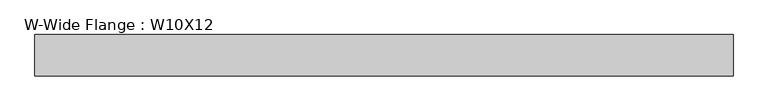
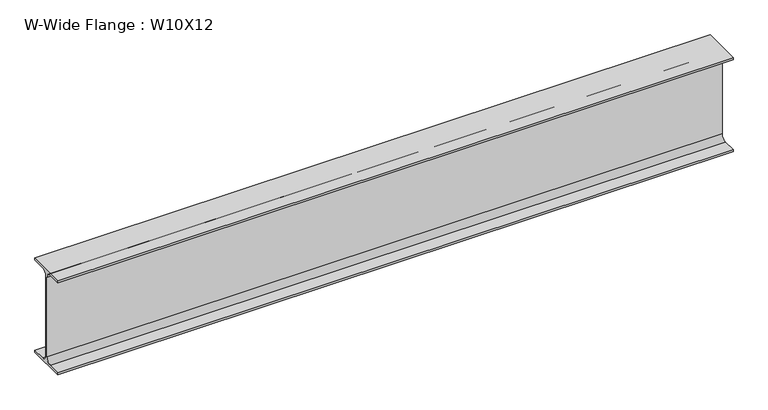
"""IFC4 building model written with IfcOpenShell, lengths in millimetres: beam geometry, W-Wide Flange : W10X12."""

from ifc_helpers import new_model, si_unit, point, frame, frame_2d, origin, place, context, project, spatial, polyline, circle_curve, trimmed, segment, composite_curve, outline, extrude, source, transform, mapped, element, save


def w_wide_flange_w10x12_376d3a36(model_context):
    return source(origin(), model_context, "Body", "SweptSolid", [
        extrude(outline(composite_curve([segment(polyline([(50.3039062, -120.0050781), (50.3039062, -125.3628906), (-50.3039063, -125.3628906), (-50.3039063, -120.0050781), (-16.1230469, -120.0050781)]), True, "CONTINUOUS"), segment(trimmed(circle_curve(frame_2d((-16.1230469, -106.3128906)), 13.6921875), [point((-16.1230469, -120.0050781))], [point((-2.4308594, -106.3128906))], True, "CARTESIAN"), True, "CONTINUOUS"), segment(polyline([(-2.4308594, -106.3128906), (-2.4308594, 106.3128906)]), True, "CONTINUOUS"), segment(trimmed(circle_curve(frame_2d((-16.1230469, 106.3128906)), 13.6921875), [point((-2.4308594, 106.3128906))], [point((-16.1230469, 120.0050781))], True, "CARTESIAN"), True, "CONTINUOUS"), segment(polyline([(-16.1230469, 120.0050781), (-50.3039063, 120.0050781), (-50.3039063, 125.3628906), (50.3039062, 125.3628906), (50.3039062, 120.0050781), (16.1230469, 120.0050781)]), True, "CONTINUOUS"), segment(trimmed(circle_curve(frame_2d((16.1230469, 106.3128906)), 13.6921875), [point((16.1230469, 120.0050781))], [point((2.4308594, 106.3128906))], True, "CARTESIAN"), True, "CONTINUOUS"), segment(polyline([(2.4308594, 106.3128906), (2.4308594, -106.3128906)]), True, "CONTINUOUS"), segment(trimmed(circle_curve(frame_2d((16.1230469, -106.3128906)), 13.6921875), [point((2.4308594, -106.3128906))], [point((16.1230469, -120.0050781))], True, "CARTESIAN"), True, "CONTINUOUS"), segment(polyline([(16.1230469, -120.0050781), (50.3039062, -120.0050781)]), True, "CONTINUOUS")], self_intersect=False)), frame((-850.9, 0.0, 0.0), z_axis=(1.0, 0.0, 0.0), x_axis=(0.0, 1.0, 0.0)), (0.0, 0.0, 1.0), 1701.8),
    ])


if __name__ == "__main__":
    model = new_model("IFC4")
    model_context = context("Model", 3, world=origin())
    ifc_project = project(units=[si_unit("LENGTHUNIT", "METRE", prefix="MILLI")], contexts=[model_context])
    site = spatial("IfcSite", under=ifc_project)
    building = spatial("IfcBuilding", under=site)
    placement = place(None, origin())
    w_wide_flange_w10x12_shape = w_wide_flange_w10x12_376d3a36(model_context)
    element("IfcBeam", 1, ObjectType="W-Wide Flange : W10X12", at=placement, inside=building, context=model_context, shape_type="MappedRepresentation", body=[
        mapped(w_wide_flange_w10x12_shape, transform((0.0, 0.0, 0.0), x_axis=(1.0, 0.0, 0.0), y_axis=(0.0, 1.0, 0.0), z_axis=(0.0, 0.0, 1.0))),
    ])
    save(model, "model.ifc")
